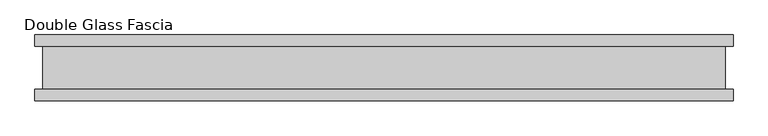
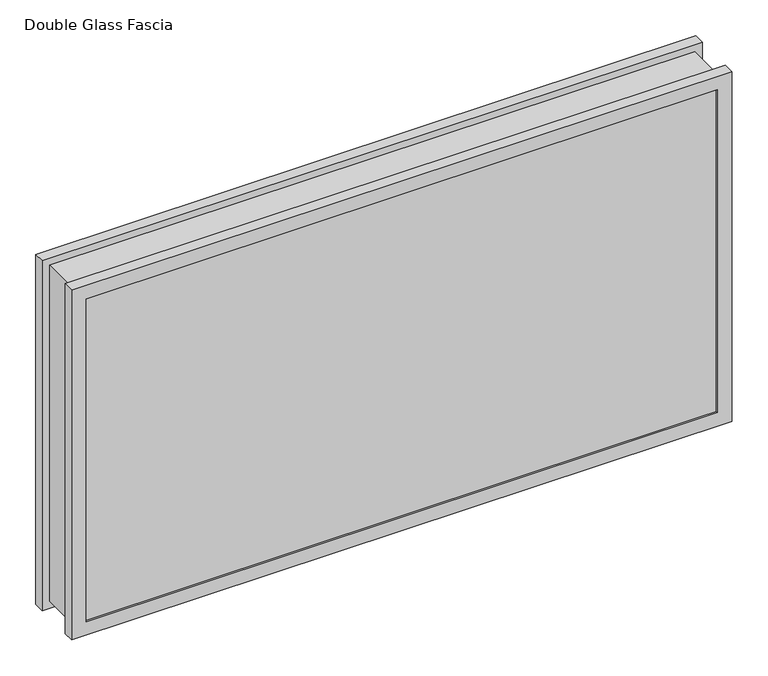
"""IFC4 building model written with IfcOpenShell, lengths in millimetres: proxy geometry, Double Glass Fascia."""

from ifc_helpers import new_model, si_unit, frame, origin, place, context, project, spatial, polyline, outline, extrude, faceted_brep, source, transform, mapped, element, save


def double_glass_fascia_9f5fda65(model_context):
    return source(origin(), model_context, "Body", "SolidModel", [
        faceted_brep([(519.6640848, -32.4352299, 587.375885), (519.6640848, -32.4352299, 15.0359151), (519.6640848, 32.4352299, 15.0359151), (519.6640848, 32.4352299, 587.375885), (-519.6640848, -32.4352299, 15.0359151), (-519.6640848, 32.4352299, 15.0359151), (-519.6640848, -32.4352299, 587.375885), (-519.6640848, 32.4352299, 587.375885), (508.4871999, 38.8962152, 576.1990001), (508.4871999, 38.8962152, 26.2128), (508.4871999, -38.8962152, 26.2128), (508.4871999, -38.8962152, 576.1990001), (525.2218392, 47.1322551, 592.9336393), (525.2218392, 47.1322551, 9.4781608), (525.2218392, 38.8962152, 9.4781608), (525.2218392, 38.8962152, 592.9336393), (508.3093999, 50.0558594, 576.0212001), (508.3093999, 50.0558594, 26.3906), (508.3093999, 47.1322551, 26.3906), (508.3093999, 47.1322551, 576.0212001), (531.5249999, 32.4352299, 599.2368001), (531.5249999, 32.4352299, 3.175), (531.5249999, 50.0558594, 3.175), (531.5249999, 50.0558594, 599.2368001), (-508.4871999, 38.8962152, 26.2128), (-508.4871999, -38.8962152, 26.2128), (-525.2218392, 47.1322551, 9.4781608), (-525.2218392, 38.8962152, 9.4781608), (-508.3093999, 50.0558594, 26.3906), (-508.3093999, 47.1322551, 26.3906), (-531.5249999, 32.4352299, 3.175), (-531.5249999, 50.0558594, 3.175), (-508.4871999, 38.8962152, 576.1990001), (-508.4871999, -38.8962152, 576.1990001), (-525.2218392, 47.1322551, 592.9336393), (-525.2218392, 38.8962152, 592.9336393), (-508.3093999, 50.0558594, 576.0212001), (-508.3093999, 47.1322551, 576.0212001), (-531.5249999, 32.4352299, 599.2368001), (-531.5249999, 50.0558594, 599.2368001), (531.5249999, -50.0558594, 599.2368001), (531.5249999, -50.0558594, 3.175), (531.5249999, -32.4352299, 3.175), (531.5249999, -32.4352299, 599.2368001), (508.4871999, -47.1322551, 576.1990001), (508.4871999, -47.1322551, 26.2128), (508.4871999, -50.0558594, 26.2128), (508.4871999, -50.0558594, 576.1990001), (525.2218392, -38.8962152, 592.9336393), (525.2218392, -38.8962152, 9.4781608), (525.2218392, -47.1322551, 9.4781608), (525.2218392, -47.1322551, 592.9336393), (-531.5249999, -50.0558594, 3.175), (-531.5249999, -32.4352299, 3.175), (-508.4871999, -47.1322551, 26.2128), (-508.4871999, -50.0558594, 26.2128), (-525.2218392, -38.8962152, 9.4781608), (-525.2218392, -47.1322551, 9.4781608), (-531.5249999, -50.0558594, 599.2368001), (-531.5249999, -32.4352299, 599.2368001), (-508.4871999, -47.1322551, 576.1990001), (-508.4871999, -50.0558594, 576.1990001), (-525.2218392, -38.8962152, 592.9336393), (-525.2218392, -47.1322551, 592.9336393)], [[[0, 1, 2, 3]], [[1, 4, 5, 2]], [[4, 6, 7, 5]], [[6, 0, 3, 7]], [[8, 9, 10, 11]], [[12, 13, 14, 15]], [[16, 17, 18, 19]], [[20, 21, 22, 23]], [[9, 24, 25, 10]], [[13, 26, 27, 14]], [[17, 28, 29, 18]], [[21, 30, 31, 22]], [[24, 32, 33, 25]], [[26, 34, 35, 27]], [[28, 36, 37, 29]], [[30, 38, 39, 31]], [[32, 8, 11, 33]], [[15, 14, 27, 35], [9, 8, 32, 24]], [[34, 12, 15, 35]], [[13, 12, 34, 26], [19, 18, 29, 37]], [[36, 16, 19, 37]], [[23, 22, 31, 39], [17, 16, 36, 28]], [[38, 20, 23, 39]], [[21, 20, 38, 30], [3, 2, 5, 7]], [[40, 41, 42, 43]], [[44, 45, 46, 47]], [[48, 49, 50, 51]], [[41, 52, 53, 42]], [[45, 54, 55, 46]], [[49, 56, 57, 50]], [[52, 58, 59, 53]], [[54, 60, 61, 55]], [[56, 62, 63, 57]], [[43, 42, 53, 59], [1, 0, 6, 4]], [[58, 40, 43, 59]], [[41, 40, 58, 52], [47, 46, 55, 61]], [[60, 44, 47, 61]], [[51, 50, 57, 63], [45, 44, 60, 54]], [[62, 48, 51, 63]], [[49, 48, 62, 56], [11, 10, 25, 33]]]),
        extrude(outline(polyline([(520.7, 40.9277344), (-520.7, 40.9277344), (-520.7, 46.8808594), (520.7, 46.8808594), (520.7, 40.9277344)])), frame((0.0, 0.0, 5.3275263), z_axis=(0.0, 0.0, 1.0), x_axis=(1.0, 0.0, 0.0)), (0.0, 0.0, 1.0), 591.2627281),
        extrude(outline(polyline([(520.7, -41.1791301), (520.7, -47.1322551), (-520.7, -47.1322551), (-520.7, -41.1791301), (520.7, -41.1791301)])), frame((0.0, 0.0, 5.3275263), z_axis=(0.0, 0.0, 1.0), x_axis=(1.0, 0.0, 0.0)), (0.0, 0.0, 1.0), 591.2627281),
    ])


if __name__ == "__main__":
    model = new_model("IFC4")
    model_context = context("Model", 3, world=origin())
    ifc_project = project(units=[si_unit("LENGTHUNIT", "METRE", prefix="MILLI")], contexts=[model_context])
    site = spatial("IfcSite", under=ifc_project)
    building = spatial("IfcBuilding", under=site)
    placement = place(None, origin())
    double_glass_fascia_shape = double_glass_fascia_9f5fda65(model_context)
    element("IfcBuildingElementProxy", 1, Name="Double Glass Fascia", ObjectType="Double Glass Fascia", at=placement, inside=building, context=model_context, shape_type="MappedRepresentation", body=[
        mapped(double_glass_fascia_shape, transform((0.0, 0.0, 0.0), x_axis=(1.0, 0.0, 0.0), y_axis=(0.0, 1.0, 0.0), z_axis=(0.0, 0.0, 1.0))),
    ])
    save(model, "model.ifc")
